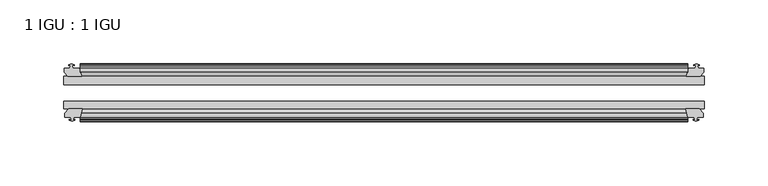
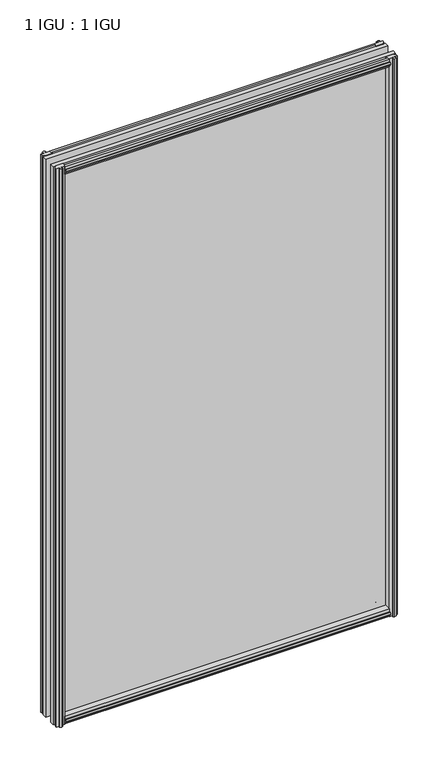
"""IFC4 building model written with IfcOpenShell, lengths in millimetres: plate geometry, 1 IGU : 1 IGU."""

from ifc_helpers import new_model, si_unit, frame, origin, place, context, project, spatial, polyline, outline, extrude, source, transform, mapped, element, save


def plate_1_igu_1_igu_454211ff(model_context):
    return source(origin(), model_context, "Body", "SweptSolid", [
        extrude(outline(polyline([(-25.8960937, 1.1970181), (-19.5460937, -0.5207), (-19.5460937, -5.7277), (-17.1658968, -6.1087), (-17.62583, -4.6931709), (-16.8246158, -4.6931709), (-16.1170937, -6.8707), (-16.8246158, -9.0482291), (-17.62583, -9.0482291), (-17.1658968, -7.6327), (-19.5460937, -8.0137), (-19.5460937, -12.4587), (-22.4924937, -12.4587), (-25.8960937, -9.6243578), (-25.8960937, 1.1970181)])), frame((-237.6551763, 0.0, 0.0), z_axis=(1.0, 0.0, 0.0), x_axis=(0.0, 1.0, 0.0)), (0.0, 0.0, 1.0), 475.3103526),
        extrude(outline(polyline([(-51.2960937, 1.7177181), (-51.2960937, -9.1036578), (-54.6996937, -11.938), (-57.6460937, -11.938), (-57.6460937, -7.493), (-60.0262907, -7.112), (-59.5663575, -8.5275291), (-60.3675717, -8.5275291), (-61.0750937, -6.35), (-60.3675717, -4.1724709), (-59.5663575, -4.1724709), (-60.0262907, -5.588), (-57.6460937, -5.207), (-57.6460937, 0.0), (-51.2960937, 1.7177181)])), frame((-237.6551763, 0.0, 0.0), z_axis=(1.0, 0.0, 0.0), x_axis=(0.0, 1.0, 0.0)), (0.0, 0.0, 1.0), 475.3103526),
        extrude(outline(polyline([(-57.6460937, 850.138), (-54.6996937, 850.138), (-51.2960937, 847.3036578), (-51.2960937, 836.4822819), (-57.6460937, 838.2), (-57.6460937, 843.407), (-60.0262907, 843.788), (-59.5663575, 842.3724709), (-60.3675717, 842.3724709), (-61.0750937, 844.55), (-60.3675717, 846.727529), (-59.5663575, 846.727529), (-60.0262907, 845.312), (-57.6460937, 845.693), (-57.6460937, 850.138)])), frame((-237.6551763, 0.0, 0.0), z_axis=(1.0, 0.0, 0.0), x_axis=(0.0, 1.0, 0.0)), (0.0, 0.0, 1.0), 475.3103526),
        extrude(outline(polyline([(-19.5460937, 850.6587), (-19.5460937, 846.2137), (-17.1658968, 845.8327), (-17.62583, 847.248229), (-16.8246158, 847.248229), (-16.1170937, 845.0707), (-16.8246158, 842.8931709), (-17.62583, 842.8931709), (-17.1658968, 844.3087), (-19.5460937, 843.9277), (-19.5460937, 838.7207), (-25.8960937, 837.0029819), (-25.8960937, 847.8243578), (-22.4924937, 850.6587), (-19.5460937, 850.6587)])), frame((-237.6551763, 0.0, 0.0), z_axis=(1.0, 0.0, 0.0), x_axis=(0.0, 1.0, 0.0)), (0.0, 0.0, 1.0), 475.3103526),
        extrude(outline(polyline([(-244.5258763, -16.1170937), (-242.3483472, -16.8246158), (-242.3483472, -17.62583), (-243.7638763, -17.1658968), (-243.3828763, -19.5460937), (-238.1758763, -19.5460937), (-236.4581582, -25.8960937), (-247.2795341, -25.8960937), (-250.1138763, -22.4924937), (-250.1138763, -19.5460937), (-245.6688763, -19.5460937), (-245.2878763, -17.1658968), (-246.7034053, -17.62583), (-246.7034053, -16.8246158), (-244.5258763, -16.1170937)])), frame((0.0, 0.0, -12.7), z_axis=(0.0, 0.0, 1.0), x_axis=(1.0, 0.0, 0.0)), (0.0, 0.0, 1.0), 863.6),
        extrude(outline(polyline([(-244.0051763, -61.0750938), (-246.1827053, -60.3675717), (-246.1827053, -59.5663575), (-244.7671763, -60.0262907), (-245.1481763, -57.6460938), (-249.5931763, -57.6460938), (-249.5931763, -54.6996938), (-246.7588341, -51.2960937), (-235.9374582, -51.2960937), (-237.6551763, -57.6460938), (-242.8621763, -57.6460938), (-243.2431763, -60.0262907), (-241.8276472, -59.5663575), (-241.8276472, -60.3675717), (-244.0051763, -61.0750938)])), frame((0.0, 0.0, -12.7), z_axis=(0.0, 0.0, 1.0), x_axis=(1.0, 0.0, 0.0)), (0.0, 0.0, 1.0), 863.6),
        extrude(outline(polyline([(243.3828763, -19.5460937), (243.7638763, -17.1658968), (242.3483472, -17.62583), (242.3483472, -16.8246158), (244.5258763, -16.1170937), (246.7034053, -16.8246158), (246.7034053, -17.62583), (245.2878763, -17.1658968), (245.6688763, -19.5460937), (250.1138763, -19.5460937), (250.1138763, -22.4924937), (247.2795341, -25.8960937), (236.4581582, -25.8960937), (238.1758763, -19.5460937), (243.3828763, -19.5460937)])), frame((0.0, 0.0, -12.7), z_axis=(0.0, 0.0, 1.0), x_axis=(1.0, 0.0, 0.0)), (0.0, 0.0, 1.0), 863.6),
        extrude(outline(polyline([(246.7588341, -51.2960937), (249.5931763, -54.6996937), (249.5931763, -57.6460937), (245.1481763, -57.6460937), (244.7671763, -60.0262907), (246.1827053, -59.5663575), (246.1827053, -60.3675717), (244.0051763, -61.0750937), (241.8276472, -60.3675717), (241.8276472, -59.5663575), (243.2431763, -60.0262907), (242.8621763, -57.6460937), (237.6551763, -57.6460937), (235.9374582, -51.2960937), (246.7588341, -51.2960937)])), frame((0.0, 0.0, -12.7), z_axis=(0.0, 0.0, 1.0), x_axis=(1.0, 0.0, 0.0)), (0.0, 0.0, 1.0), 863.6),
        extrude(outline(polyline([(-250.3551763, -25.8960937), (250.3551763, -25.8960937), (250.3551763, -32.2460937), (-250.3551763, -32.2460937), (-250.3551763, -25.8960937)])), frame((0.0, 0.0, -12.7), z_axis=(0.0, 0.0, 1.0), x_axis=(1.0, 0.0, 0.0)), (0.0, 0.0, 1.0), 863.6),
        extrude(outline(polyline([(250.3551763, -45.2686737), (250.3551763, -51.2960937), (-250.3551763, -51.2960937), (-250.3551763, -45.2686737), (250.3551763, -45.2686737)])), frame((0.0, 0.0, -12.7), z_axis=(0.0, 0.0, 1.0), x_axis=(1.0, 0.0, 0.0)), (0.0, 0.0, 1.0), 863.6),
    ])


if __name__ == "__main__":
    model = new_model("IFC4")
    model_context = context("Model", 3, world=origin())
    ifc_project = project(units=[si_unit("LENGTHUNIT", "METRE", prefix="MILLI")], contexts=[model_context])
    site = spatial("IfcSite", under=ifc_project)
    building = spatial("IfcBuilding", under=site)
    placement = place(None, origin())
    plate_1_igu_1_igu_shape = plate_1_igu_1_igu_454211ff(model_context)
    element("IfcPlate", 1, ObjectType="1 IGU : 1 IGU", at=placement, inside=building, context=model_context, shape_type="MappedRepresentation", body=[
        mapped(plate_1_igu_1_igu_shape, transform((0.0, 0.0, 0.0), x_axis=(1.0, 0.0, 0.0), y_axis=(0.0, 1.0, 0.0), z_axis=(0.0, 0.0, 1.0))),
    ])
    save(model, "model.ifc")
